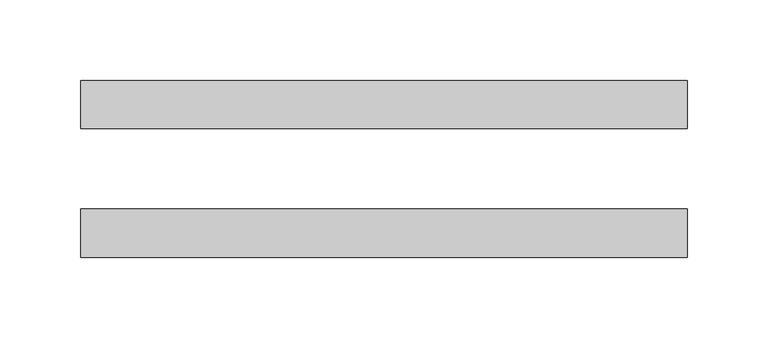
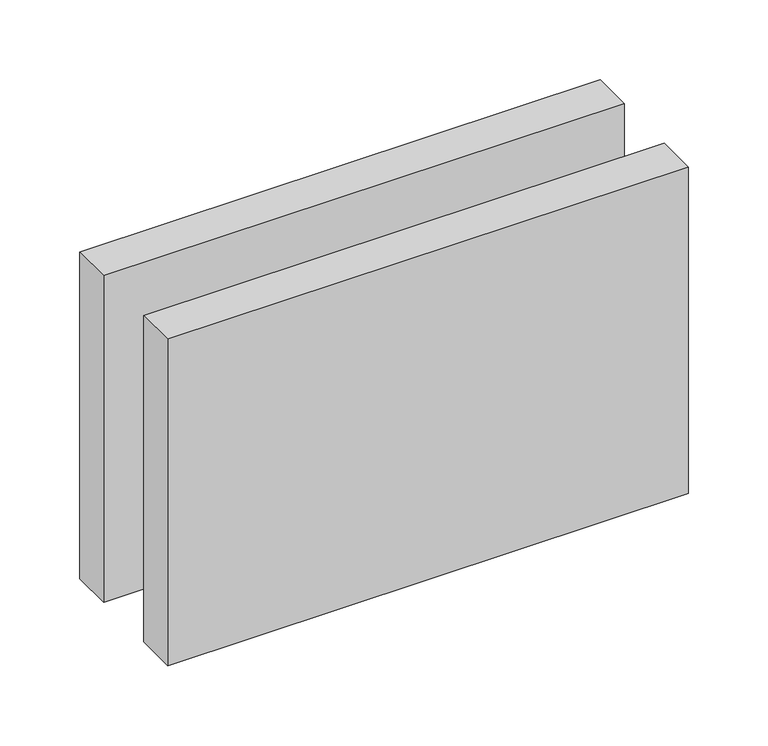
"""IFC4 building model written with IfcOpenShell, lengths in millimetres: proxy geometry."""

from ifc_helpers import new_model, si_unit, origin, origin_with_axes, place, context, project, spatial, polyline, outline, extrude, source, transform, mapped, element, save


def generic_models_2e729f6e(model_context):
    return source(origin(), model_context, "Body", "SweptSolid", [
        extrude(outline(polyline([(376.6553505, -25.0), (376.6553505, -55.0), (0.0, -55.0), (0.0, -25.0), (376.6553505, -25.0)])), origin_with_axes(), (0.0, 0.0, 1.0), 250.0),
        extrude(outline(polyline([(376.6553505, 55.0), (376.6553505, 25.0), (0.0, 25.0), (0.0, 55.0), (376.6553505, 55.0)])), origin_with_axes(), (0.0, 0.0, 1.0), 250.0),
    ])


if __name__ == "__main__":
    model = new_model("IFC4")
    model_context = context("Model", 3, world=origin())
    ifc_project = project(units=[si_unit("LENGTHUNIT", "METRE", prefix="MILLI")], contexts=[model_context])
    site = spatial("IfcSite", under=ifc_project)
    building = spatial("IfcBuilding", under=site)
    placement = place(None, origin())
    generic_models_shape = generic_models_2e729f6e(model_context)
    element("IfcBuildingElementProxy", 1, Name="Generic Models", at=placement, inside=building, context=model_context, shape_type="MappedRepresentation", body=[
        mapped(generic_models_shape, transform((0.0, 0.0, 0.0), x_axis=(1.0, 0.0, 0.0), y_axis=(0.0, 1.0, 0.0), z_axis=(0.0, 0.0, 1.0))),
    ])
    save(model, "model.ifc")
